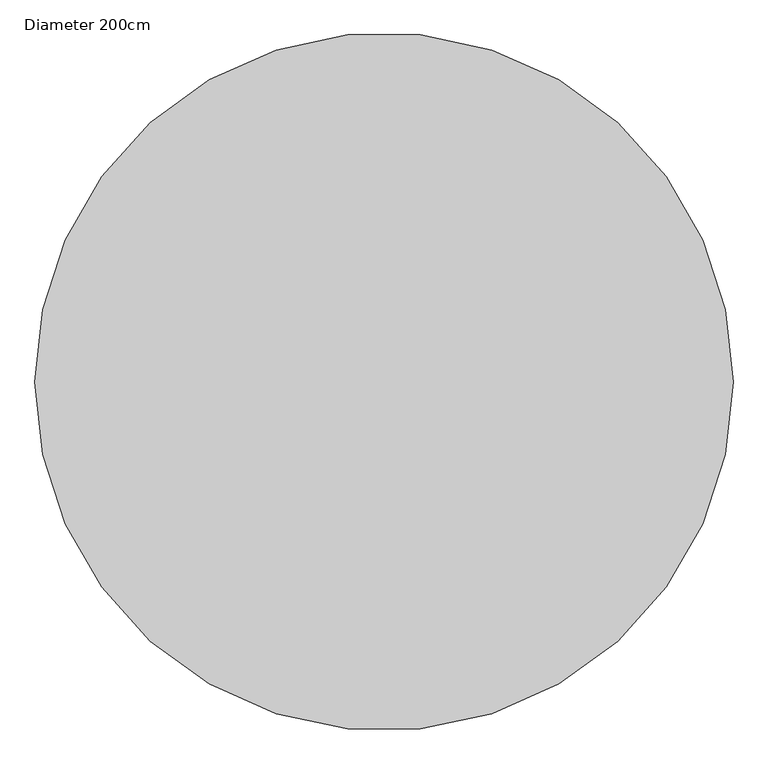
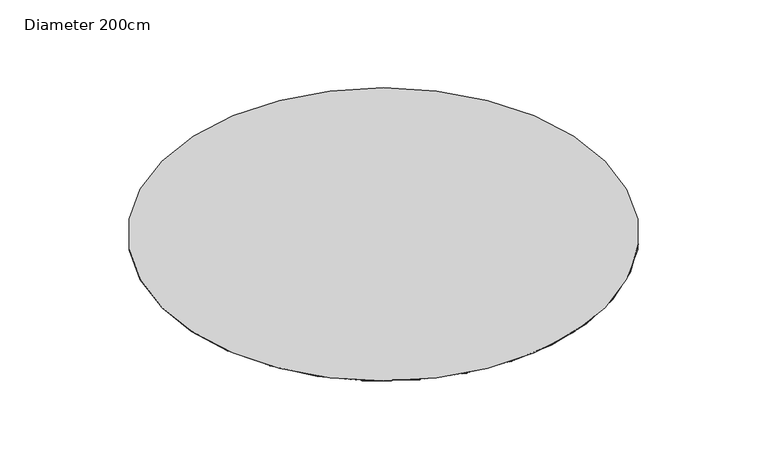
"""IFC4 building model written with IfcOpenShell, lengths in millimetres: furniture geometry, Diameter 200cm."""

from ifc_helpers import new_model, si_unit, point, frame_2d, origin, origin_with_axes, place, context, project, spatial, circle_curve, trimmed, segment, composite_curve, outline, extrude, source, transform, mapped, element, save


def diameter_200cm_6b36da33(model_context):
    return source(origin(), model_context, "Body", "SweptSolid", [
        extrude(outline(composite_curve([segment(trimmed(circle_curve(frame_2d((-361.1339083, 345.7919098)), 1000.125), [point((-1361.2589083, 345.7919098))], [point((638.9910917, 345.7919098))], False, "CARTESIAN"), True, "CONTINUOUS"), segment(trimmed(circle_curve(frame_2d((-361.1339083, 345.7919098)), 1000.125), [point((638.9910917, 345.7919098))], [point((-1361.2589083, 345.7919098))], False, "CARTESIAN"), True, "CONTINUOUS")], self_intersect=False)), origin_with_axes(), (0.0, 0.0, 1.0), 0.8128),
    ])


if __name__ == "__main__":
    model = new_model("IFC4")
    model_context = context("Model", 3, world=origin())
    ifc_project = project(units=[si_unit("LENGTHUNIT", "METRE", prefix="MILLI")], contexts=[model_context])
    site = spatial("IfcSite", under=ifc_project)
    building = spatial("IfcBuilding", under=site)
    placement = place(None, origin())
    diameter_200cm_shape = diameter_200cm_6b36da33(model_context)
    element("IfcFurniture", 1, ObjectType="Diameter 200cm", at=placement, inside=building, context=model_context, shape_type="MappedRepresentation", body=[
        mapped(diameter_200cm_shape, transform((0.0, 0.0, 0.0), x_axis=(1.0, 0.0, 0.0), y_axis=(0.0, 1.0, 0.0), z_axis=(0.0, 0.0, 1.0))),
    ])
    save(model, "model.ifc")
